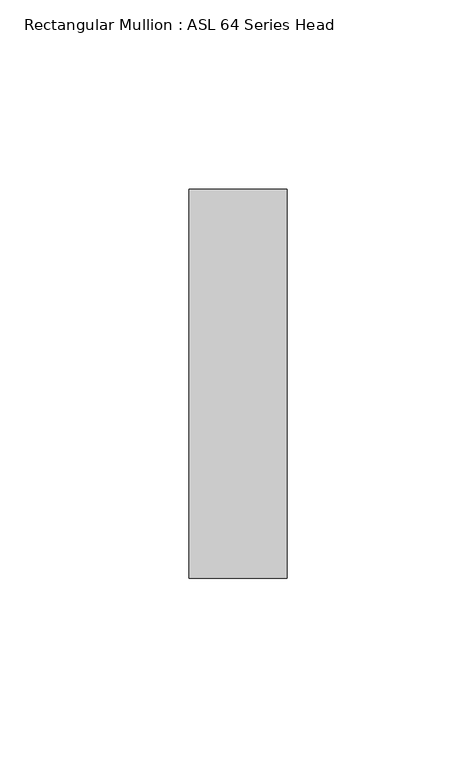
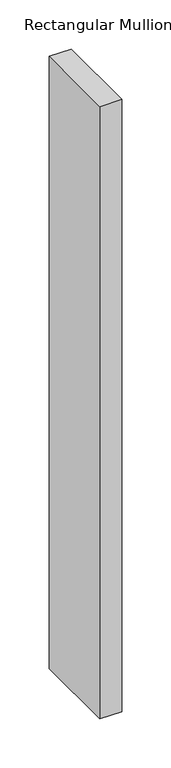
"""IFC4 building model written with IfcOpenShell, lengths in millimetres: member geometry, Rectangular Mullion : ASL 64 Series Head."""

from ifc_helpers import new_model, si_unit, frame, origin, place, context, project, spatial, polyline, outline, extrude, source, transform, mapped, element, save


def rectangular_mullion_asl_64_series_head_c57e069f(model_context):
    return source(origin(), model_context, "Body", "SweptSolid", [
        extrude(outline(polyline([(0.0, 51.5), (0.0, -51.5), (-26.0, -51.5), (-26.0, 51.5), (0.0, 51.5)])), frame((0.0, 0.0, -761.0), z_axis=(0.0, 0.0, 1.0), x_axis=(1.0, 0.0, 0.0)), (0.0, 0.0, 1.0), 761.0),
    ])


if __name__ == "__main__":
    model = new_model("IFC4")
    model_context = context("Model", 3, world=origin())
    ifc_project = project(units=[si_unit("LENGTHUNIT", "METRE", prefix="MILLI")], contexts=[model_context])
    site = spatial("IfcSite", under=ifc_project)
    building = spatial("IfcBuilding", under=site)
    placement = place(None, origin())
    rectangular_mullion_asl_64_series_head_shape = rectangular_mullion_asl_64_series_head_c57e069f(model_context)
    element("IfcMember", 1, ObjectType="Rectangular Mullion : ASL 64 Series Head", at=placement, inside=building, context=model_context, shape_type="MappedRepresentation", body=[
        mapped(rectangular_mullion_asl_64_series_head_shape, transform((0.0, 0.0, 0.0), x_axis=(1.0, 0.0, 0.0), y_axis=(0.0, 1.0, 0.0), z_axis=(0.0, 0.0, 1.0))),
    ])
    save(model, "model.ifc")
